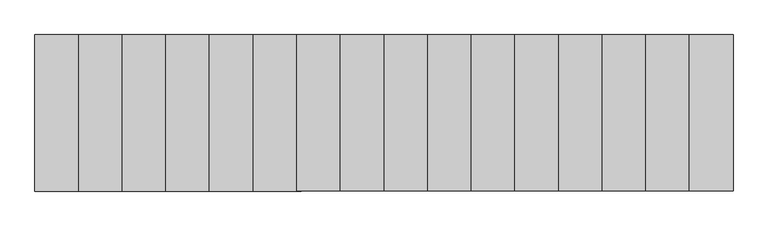
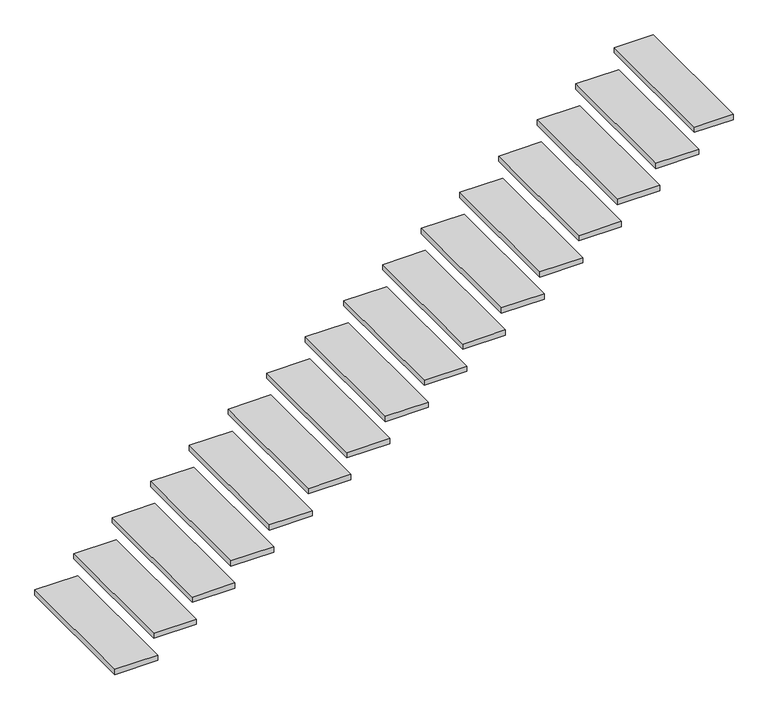
"""IFC4 building model written with IfcOpenShell, lengths in millimetres: stair flight geometry."""

from ifc_helpers import new_model, si_unit, frame, origin, place, context, project, spatial, polyline, outline, extrude, source, transform, mapped, element, save


def stair_flight_6b1befb5(model_context):
    return source(origin(), model_context, "Body", "SweptSolid", [
        extrude(outline(polyline([(60328.75, 1000.0), (60328.75, 0.0), (60020.0, 0.0), (60020.0, 1000.0), (60328.75, 1000.0)])), frame((0.0, 0.0, 138.125), z_axis=(0.0, 0.0, 1.0), x_axis=(1.0, 0.0, 0.0)), (0.0, 0.0, 1.0), 40.0),
        extrude(outline(polyline([(60607.5, 1000.0), (60607.5, 0.0), (60298.75, 0.0), (60298.75, 1000.0), (60607.5, 1000.0)])), frame((0.0, 0.0, 316.25), z_axis=(0.0, 0.0, 1.0), x_axis=(1.0, 0.0, 0.0)), (0.0, 0.0, 1.0), 40.0),
        extrude(outline(polyline([(60886.25, 1000.0), (60886.25, 0.0), (60577.5, 0.0), (60577.5, 1000.0), (60886.25, 1000.0)])), frame((0.0, 0.0, 494.375), z_axis=(0.0, 0.0, 1.0), x_axis=(1.0, 0.0, 0.0)), (0.0, 0.0, 1.0), 40.0),
        extrude(outline(polyline([(61165.0, 1000.0), (61165.0, 0.0), (60856.25, 0.0), (60856.25, 1000.0), (61165.0, 1000.0)])), frame((0.0, 0.0, 672.5), z_axis=(0.0, 0.0, 1.0), x_axis=(1.0, 0.0, 0.0)), (0.0, 0.0, 1.0), 40.0),
        extrude(outline(polyline([(61443.75, 1000.0), (61443.75, 0.0), (61135.0, 0.0), (61135.0, 1000.0), (61443.75, 1000.0)])), frame((0.0, 0.0, 850.625), z_axis=(0.0, 0.0, 1.0), x_axis=(1.0, 0.0, 0.0)), (0.0, 0.0, 1.0), 40.0),
        extrude(outline(polyline([(61722.5, 1000.0), (61722.5, 0.0), (61413.75, 0.0), (61413.75, 1000.0), (61722.5, 1000.0)])), frame((0.0, 0.0, 1028.75), z_axis=(0.0, 0.0, 1.0), x_axis=(1.0, 0.0, 0.0)), (0.0, 0.0, 1.0), 40.0),
        extrude(outline(polyline([(62001.25, 1000.0), (62001.25, 0.0), (61692.5, 0.0), (61692.5, 1000.0), (62001.25, 1000.0)])), frame((0.0, 0.0, 1206.875), z_axis=(0.0, 0.0, 1.0), x_axis=(1.0, 0.0, 0.0)), (0.0, 0.0, 1.0), 40.0),
        extrude(outline(polyline([(62280.0, 1000.0), (62280.0, 0.0), (61971.25, 0.0), (61971.25, 1000.0), (62280.0, 1000.0)])), frame((0.0, 0.0, 1385.0), z_axis=(0.0, 0.0, 1.0), x_axis=(1.0, 0.0, 0.0)), (0.0, 0.0, 1.0), 40.0),
        extrude(outline(polyline([(62558.75, 1000.0), (62558.75, 0.0), (62250.0, 0.0), (62250.0, 1000.0), (62558.75, 1000.0)])), frame((0.0, 0.0, 1563.125), z_axis=(0.0, 0.0, 1.0), x_axis=(1.0, 0.0, 0.0)), (0.0, 0.0, 1.0), 40.0),
        extrude(outline(polyline([(62837.5, 1000.0), (62837.5, 0.0), (62528.75, 0.0), (62528.75, 1000.0), (62837.5, 1000.0)])), frame((0.0, 0.0, 1741.25), z_axis=(0.0, 0.0, 1.0), x_axis=(1.0, 0.0, 0.0)), (0.0, 0.0, 1.0), 40.0),
        extrude(outline(polyline([(63116.25, 1000.0), (63116.25, 0.0), (62807.5, 0.0), (62807.5, 1000.0), (63116.25, 1000.0)])), frame((0.0, 0.0, 1919.375), z_axis=(0.0, 0.0, 1.0), x_axis=(1.0, 0.0, 0.0)), (0.0, 0.0, 1.0), 40.0),
        extrude(outline(polyline([(63395.0, 1000.0), (63395.0, 0.0), (63086.25, 0.0), (63086.25, 1000.0), (63395.0, 1000.0)])), frame((0.0, 0.0, 2097.5), z_axis=(0.0, 0.0, 1.0), x_axis=(1.0, 0.0, 0.0)), (0.0, 0.0, 1.0), 40.0),
        extrude(outline(polyline([(63673.75, 1000.0), (63673.75, 0.0), (63365.0, 0.0), (63365.0, 1000.0), (63673.75, 1000.0)])), frame((0.0, 0.0, 2275.625), z_axis=(0.0, 0.0, 1.0), x_axis=(1.0, 0.0, 0.0)), (0.0, 0.0, 1.0), 40.0),
        extrude(outline(polyline([(63952.5, 1000.0), (63952.5, 0.0), (63643.75, 0.0), (63643.75, 1000.0), (63952.5, 1000.0)])), frame((0.0, 0.0, 2453.75), z_axis=(0.0, 0.0, 1.0), x_axis=(1.0, 0.0, 0.0)), (0.0, 0.0, 1.0), 40.0),
        extrude(outline(polyline([(64231.25, 1000.0), (64231.25, 0.0), (63922.5, 0.0), (63922.5, 1000.0), (64231.25, 1000.0)])), frame((0.0, 0.0, 2631.875), z_axis=(0.0, 0.0, 1.0), x_axis=(1.0, 0.0, 0.0)), (0.0, 0.0, 1.0), 40.0),
        extrude(outline(polyline([(64480.0, 1000.0), (64480.0, 0.0), (64201.25, 0.0), (64201.25, 1000.0), (64480.0, 1000.0)])), frame((0.0, 0.0, 2810.0), z_axis=(0.0, 0.0, 1.0), x_axis=(1.0, 0.0, 0.0)), (0.0, 0.0, 1.0), 40.0),
    ])


if __name__ == "__main__":
    model = new_model("IFC4")
    model_context = context("Model", 3, world=origin())
    ifc_project = project(units=[si_unit("LENGTHUNIT", "METRE", prefix="MILLI")], contexts=[model_context])
    site = spatial("IfcSite", under=ifc_project)
    building = spatial("IfcBuilding", under=site)
    placement = place(None, origin())
    stair_flight_shape = stair_flight_6b1befb5(model_context)
    element("IfcStairFlight", 1, at=placement, inside=building, context=model_context, shape_type="MappedRepresentation", body=[
        mapped(stair_flight_shape, transform((0.0, 0.0, 0.0), x_axis=(1.0, 0.0, 0.0), y_axis=(0.0, 1.0, 0.0), z_axis=(0.0, 0.0, 1.0))),
    ])
    save(model, "model.ifc")
